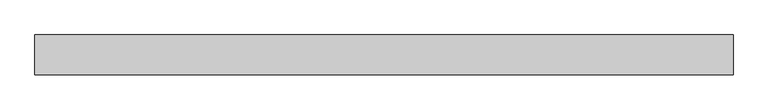
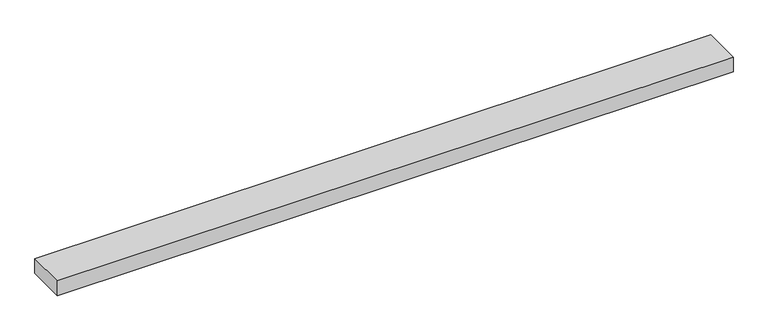
"""IFC4 building model written with IfcOpenShell, lengths in millimetres: beam geometry."""

from ifc_helpers import new_model, si_unit, frame, origin, place, context, project, spatial, polyline, outline, extrude, source, transform, mapped, element, save


def beam_e63a5071(model_context):
    return source(origin(), model_context, "Body", "SweptSolid", [
        extrude(outline(polyline([(-609.6, -35.0), (-609.6, 35.0), (609.6, 35.0), (609.6, -35.0), (-609.6, -35.0)])), frame((0.0, 0.0, -14.0), z_axis=(0.0, 0.0, 1.0), x_axis=(1.0, 0.0, 0.0)), (0.0, 0.0, 1.0), 28.0),
    ])


if __name__ == "__main__":
    model = new_model("IFC4")
    model_context = context("Model", 3, world=origin())
    ifc_project = project(units=[si_unit("LENGTHUNIT", "METRE", prefix="MILLI")], contexts=[model_context])
    site = spatial("IfcSite", under=ifc_project)
    building = spatial("IfcBuilding", under=site)
    placement = place(None, origin())
    beam_shape = beam_e63a5071(model_context)
    element("IfcBeam", 1, at=placement, inside=building, context=model_context, shape_type="MappedRepresentation", body=[
        mapped(beam_shape, transform((0.0, 0.0, 0.0), x_axis=(1.0, 0.0, 0.0), y_axis=(0.0, 1.0, 0.0), z_axis=(0.0, 0.0, 1.0))),
    ])
    save(model, "model.ifc")
